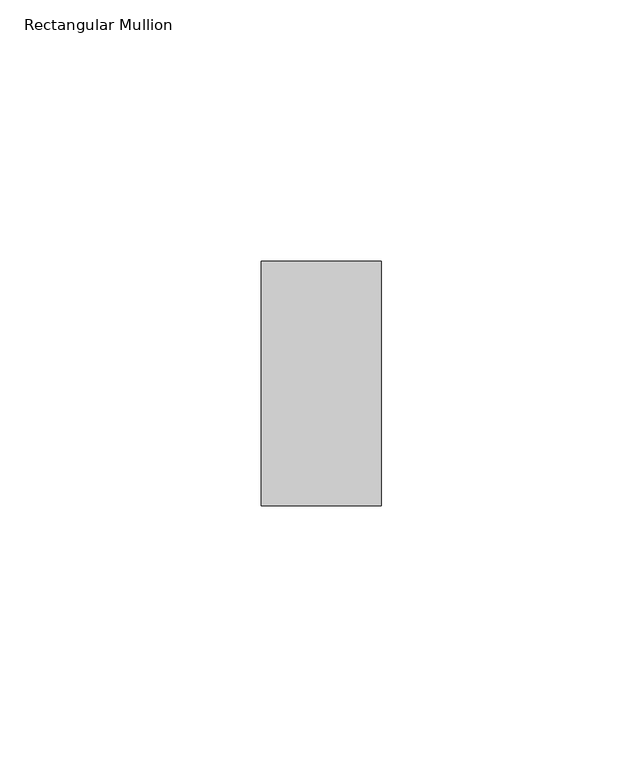
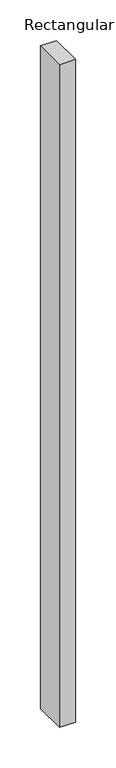
"""IFC4 building model written with IfcOpenShell, lengths in millimetres: member geometry, Rectangular Mullion."""

from ifc_helpers import new_model, si_unit, frame, origin, place, context, project, spatial, polyline, outline, extrude, source, transform, mapped, element, save


def rectangular_mullion_e9822cf9(model_context):
    return source(origin(), model_context, "Body", "SweptSolid", [
        extrude(outline(polyline([(0.0, -23.4), (-23.0, -23.4), (-23.0, 23.4), (0.0, 23.4), (0.0, -23.4)])), frame((0.0, 0.0, -997.0), z_axis=(0.0, 0.0, 1.0), x_axis=(1.0, 0.0, 0.0)), (0.0, 0.0, 1.0), 997.0),
    ])


if __name__ == "__main__":
    model = new_model("IFC4")
    model_context = context("Model", 3, world=origin())
    ifc_project = project(units=[si_unit("LENGTHUNIT", "METRE", prefix="MILLI")], contexts=[model_context])
    site = spatial("IfcSite", under=ifc_project)
    building = spatial("IfcBuilding", under=site)
    placement = place(None, origin())
    rectangular_mullion_shape = rectangular_mullion_e9822cf9(model_context)
    element("IfcMember", 1, ObjectType="Rectangular Mullion", at=placement, inside=building, context=model_context, shape_type="MappedRepresentation", body=[
        mapped(rectangular_mullion_shape, transform((0.0, 0.0, 0.0), x_axis=(1.0, 0.0, 0.0), y_axis=(0.0, 1.0, 0.0), z_axis=(0.0, 0.0, 1.0))),
    ])
    save(model, "model.ifc")
